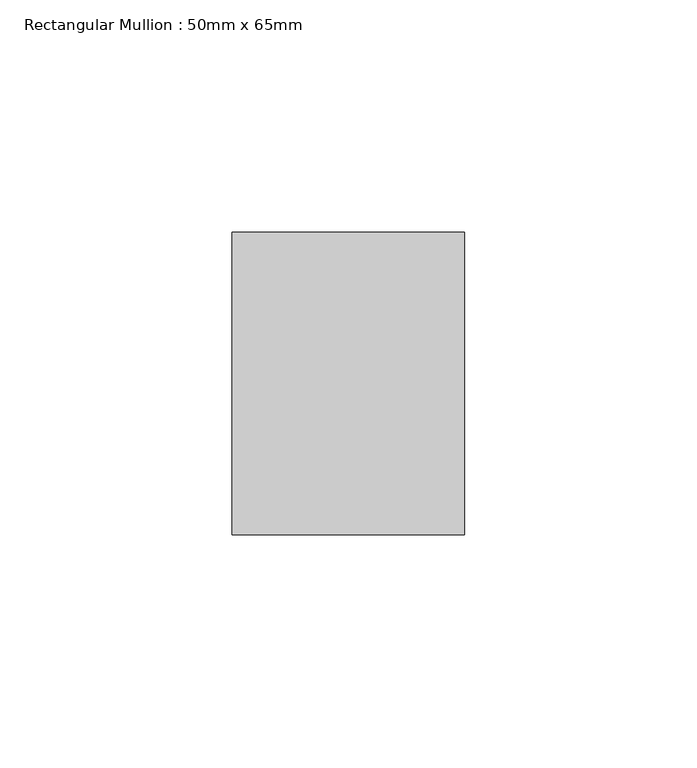
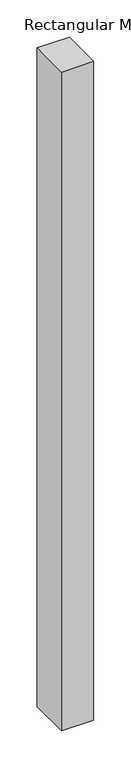
"""IFC4 building model written with IfcOpenShell, lengths in millimetres: member geometry, Rectangular Mullion : 50mm x 65mm."""

import ifcopenshell
import ifcopenshell.guid

model = None  # the IFC model being written
_history = None  # IfcOwnerHistory: only IFC2X3 demands one
_inside = {}  # id of a spatial element -> (the spatial element, [elements in it])
_under = {}  # id of a project, library or spatial element -> (it, [spatial elements below it])
_declared = {}  # id of a project -> (the project, [libraries it declares])
_typed = {}  # id of a type object -> (the type object, [elements of that type])
_made_of = {}  # id of a material, layer set ... -> (it, [elements and type objects made of it])


def new_model(schema):
    """Start an empty IFC model of exactly this schema.

    Asked for "IFC4X3", IfcOpenShell would pick the latest addendum, in which some entities
    have other attributes; the version numbers below select the first issue.
    IFC2X3 requires an IfcOwnerHistory on every rooted entity: one is made here for all.
    """
    global model, _history
    if schema == "IFC4X3":
        model = ifcopenshell.file(schema_version=(4, 3, 0, 0))
    else:
        model = ifcopenshell.file(schema=schema)
    _inside.clear()
    _under.clear()
    _declared.clear()
    _typed.clear()
    _made_of.clear()
    _history = None
    if model.schema == "IFC2X3":
        org = make("IfcOrganization", Name="unknown")
        user = make(
            "IfcPersonAndOrganization",
            ThePerson=make("IfcPerson", FamilyName="unknown"),
            TheOrganization=org,
        )
        app = make(
            "IfcApplication",
            ApplicationDeveloper=org,
            Version="unknown",
            ApplicationFullName="unknown",
            ApplicationIdentifier="unknown",
        )
        _history = make(
            "IfcOwnerHistory",
            OwningUser=user,
            OwningApplication=app,
            ChangeAction="ADDED",
            CreationDate=0,
        )
    return model


def make(cls, **values):
    """One entity of the class cls with the attributes given. An attribute that is None is left unset."""
    return model.create_entity(
        cls, **{name: value for name, value in values.items() if value is not None}
    )


def rooted(cls, **values):
    """An entity with a GlobalId (a new one), such as an element, a storey or a relation."""
    return make(cls, GlobalId=ifcopenshell.guid.new(), OwnerHistory=_history, **values)


def si_unit(unit_type, name, prefix=None):
    """IfcSIUnit, for example si_unit("LENGTHUNIT", "METRE", prefix="MILLI")."""
    return make("IfcSIUnit", UnitType=unit_type, Prefix=prefix, Name=name)


def assignment(units):
    """IfcUnitAssignment: the units of a project."""
    return None if units is None else make("IfcUnitAssignment", Units=units)


def point(xyz):
    """IfcCartesianPoint."""
    return None if xyz is None else make("IfcCartesianPoint", Coordinates=xyz)


def direction(xyz):
    """IfcDirection."""
    return None if xyz is None else make("IfcDirection", DirectionRatios=xyz)


def frame(location, z_axis=None, x_axis=None):
    """IfcAxis2Placement3D, a coordinate frame: its origin and axes. An axis left out is left unset."""
    return make(
        "IfcAxis2Placement3D",
        Location=point(location),
        Axis=direction(z_axis),
        RefDirection=direction(x_axis),
    )


def origin():
    """The frame at (0, 0, 0) with its axes left unset."""
    return frame((0.0, 0.0, 0.0))


def place(relative_to, where):
    """IfcLocalPlacement: puts the frame where relative to a parent placement (None: the world)."""
    return make(
        "IfcLocalPlacement", PlacementRelTo=relative_to, RelativePlacement=where
    )


def context(
    kind, dimensions, precision=None, world=None, true_north=None, identifier=None
):
    """IfcGeometricRepresentationContext, for example the 3D "Model" context."""
    return make(
        "IfcGeometricRepresentationContext",
        ContextIdentifier=identifier,
        ContextType=kind,
        CoordinateSpaceDimension=dimensions,
        Precision=precision,
        WorldCoordinateSystem=world,
        TrueNorth=true_north,
    )


def project(units=None, contexts=None):
    """IfcProject with its units and contexts."""
    return rooted(
        "IfcProject",
        Name="project",
        RepresentationContexts=contexts,
        UnitsInContext=assignment(units),
    )


def spatial(cls, under=None, at=None, **own):
    """A site, building, storey or space (cls), placed at a placement, below another one or the project."""
    s = rooted(cls, ObjectPlacement=at, **own)
    if under is not None:
        _under.setdefault(under.id(), (under, []))[1].append(s)
    return s


def polyline(points):
    """IfcPolyline through the points."""
    return make("IfcPolyline", Points=[point(p) for p in points])


def outline(outer, holes=None, kind="AREA"):
    """IfcArbitraryClosedProfileDef: a profile drawn as a closed curve; with holes, ...WithVoids."""
    if holes is None:
        return make("IfcArbitraryClosedProfileDef", ProfileType=kind, OuterCurve=outer)
    return make(
        "IfcArbitraryProfileDefWithVoids",
        ProfileType=kind,
        OuterCurve=outer,
        InnerCurves=holes,
    )


def extrude(swept, where, along, depth):
    """IfcExtrudedAreaSolid: the profile swept, set in the frame where, extruded along a direction by depth."""
    return make(
        "IfcExtrudedAreaSolid",
        SweptArea=swept,
        Position=where,
        ExtrudedDirection=direction(along),
        Depth=depth,
    )


def shape(context_of_items, identifier, shape_type, items):
    """IfcShapeRepresentation: the items that make up one representation, for example the "Body"."""
    return make(
        "IfcShapeRepresentation",
        ContextOfItems=context_of_items,
        RepresentationIdentifier=identifier,
        RepresentationType=shape_type,
        Items=items,
    )


def source(mapping_origin, context_of_items, identifier, shape_type, items):
    """IfcRepresentationMap: a shape defined once, which mapped items show again and again."""
    return make(
        "IfcRepresentationMap",
        MappingOrigin=mapping_origin,
        MappedRepresentation=shape(context_of_items, identifier, shape_type, items),
    )


def transform(
    local_origin,
    x_axis=None,
    y_axis=None,
    z_axis=None,
    scale=None,
    scale2=None,
    scale3=None,
    uniform=True,
):
    """IfcCartesianTransformationOperator3D, or its non-uniform kind. x_axis, y_axis, z_axis: its Axis1, 2, 3."""
    if uniform:
        return make(
            "IfcCartesianTransformationOperator3D",
            Axis1=direction(x_axis),
            Axis2=direction(y_axis),
            LocalOrigin=point(local_origin),
            Scale=scale,
            Axis3=direction(z_axis),
        )
    return make(
        "IfcCartesianTransformationOperator3DnonUniform",
        Axis1=direction(x_axis),
        Axis2=direction(y_axis),
        LocalOrigin=point(local_origin),
        Scale=scale,
        Axis3=direction(z_axis),
        Scale2=scale2,
        Scale3=scale3,
    )


def mapped(mapping_source, mapping_target):
    """IfcMappedItem: shows the shape of a source again, moved by a transform."""
    return make(
        "IfcMappedItem", MappingSource=mapping_source, MappingTarget=mapping_target
    )


def made_of(thing, what):
    """Note that an element or type object is made of a material, layer set ...; save() writes the relation."""
    if what is not None:
        _made_of.setdefault(what.id(), (what, []))[1].append(thing)
    return thing


def element(
    cls,
    number,
    at=None,
    inside=None,
    cuts=None,
    type_object=None,
    material=None,
    context=None,
    identifier="Body",
    shape_type=None,
    held_by="IfcProductDefinitionShape",
    body=None,
    shapes=None,
    **own,
):
    """One element of the class cls, such as IfcWall. Its Tag is "e" and its number.

    at: its placement. inside: the storey or other place that contains it. cuts: it is an
    opening in that element (IfcRelVoidsElement). A single representation is given by context,
    identifier, shape_type and body (its items); several are given by shapes. held_by: the class
    of the entity that holds the representations. save() writes the other relations.
    """
    e = rooted(cls, Tag="e%d" % number, ObjectPlacement=at, **own)
    if body is not None:
        shapes = [shape(context, identifier, shape_type, body)]
    if shapes is not None:
        e.Representation = make(held_by, Representations=shapes)
    if inside is not None:
        _inside.setdefault(inside.id(), (inside, []))[1].append(e)
    if cuts is not None:
        rooted(
            "IfcRelVoidsElement", RelatingBuildingElement=cuts, RelatedOpeningElement=e
        )
    if type_object is not None:
        _typed.setdefault(type_object.id(), (type_object, []))[1].append(e)
    return made_of(e, material)


def aggregate(whole, parts):
    """IfcRelAggregates: a whole, such as a stair, and the parts it consists of."""
    return rooted("IfcRelAggregates", RelatingObject=whole, RelatedObjects=parts)


def save(model, path):
    """Write the relations noted so far, then the file.

    IfcRelAggregates (storeys below a building ...), IfcRelContainedInSpatialStructure (elements
    in a storey), IfcRelDefinesByType, IfcRelAssociatesMaterial and IfcRelDeclares: one each for
    every whole, place, type object, material and project.
    """
    for whole, parts in _under.values():
        aggregate(whole, parts)
    for where, things in _inside.values():
        rooted(
            "IfcRelContainedInSpatialStructure",
            RelatedElements=things,
            RelatingStructure=where,
        )
    for kind, things in _typed.values():
        rooted("IfcRelDefinesByType", RelatedObjects=things, RelatingType=kind)
    for what, things in _made_of.values():
        rooted("IfcRelAssociatesMaterial", RelatedObjects=things, RelatingMaterial=what)
    for by, libraries in _declared.values():
        rooted("IfcRelDeclares", RelatingContext=by, RelatedDefinitions=libraries)
    model.write(path)


def rectangular_mullion_50mm_x_65mm_f9998e6d(model_context):
    return source(origin(), model_context, "Body", "SweptSolid", [
        extrude(outline(polyline([(25.0, 32.5), (25.0, -32.5), (-25.0, -32.5), (-25.0, 32.5), (25.0, 32.5)])), frame((0.0, 0.0, -1078.0447101), z_axis=(0.0, 0.0, 1.0), x_axis=(1.0, 0.0, 0.0)), (0.0, 0.0, 1.0), 1078.0447101),
    ])


if __name__ == "__main__":
    model = new_model("IFC4")
    model_context = context("Model", 3, world=origin())
    ifc_project = project(units=[si_unit("LENGTHUNIT", "METRE", prefix="MILLI")], contexts=[model_context])
    site = spatial("IfcSite", under=ifc_project)
    building = spatial("IfcBuilding", under=site)
    placement = place(None, origin())
    rectangular_mullion_50mm_x_65mm_shape = rectangular_mullion_50mm_x_65mm_f9998e6d(model_context)
    element("IfcMember", 1, ObjectType="Rectangular Mullion : 50mm x 65mm", at=placement, inside=building, context=model_context, shape_type="MappedRepresentation", body=[
        mapped(rectangular_mullion_50mm_x_65mm_shape, transform((0.0, 0.0, 0.0), x_axis=(1.0, 0.0, 0.0), y_axis=(0.0, 1.0, 0.0), z_axis=(0.0, 0.0, 1.0))),
    ])
    save(model, "model.ifc")
